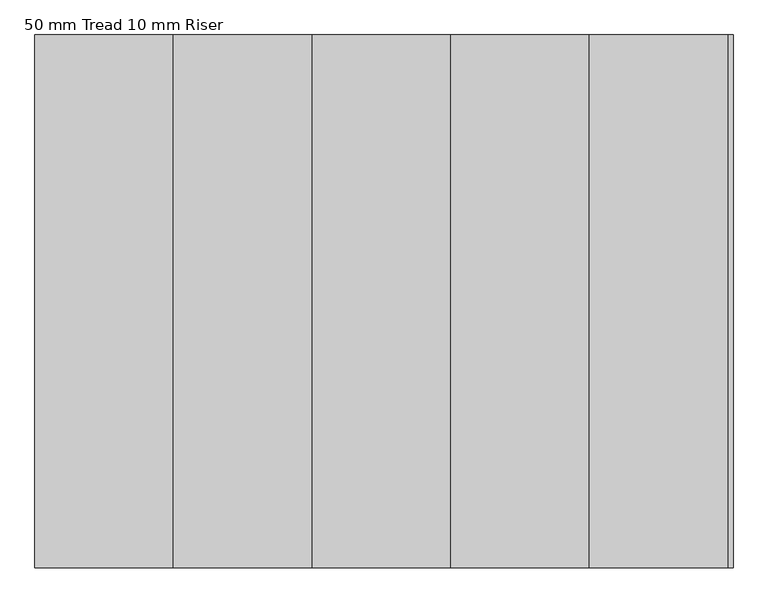
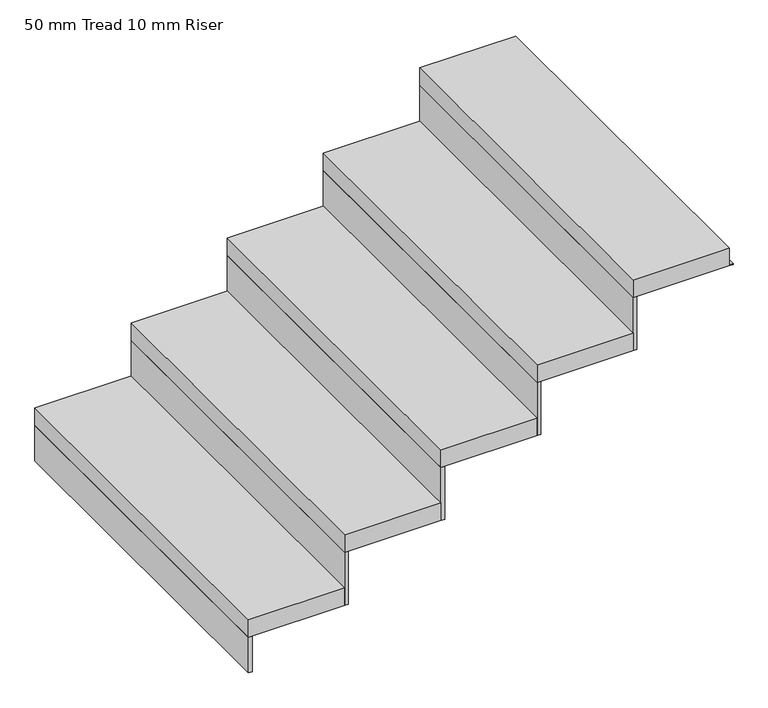
"""IFC4 building model written with IfcOpenShell, lengths in millimetres: stair flight geometry, 50 mm Tread 10 mm Riser."""

import ifcopenshell
import ifcopenshell.guid

model = None  # the IFC model being written
_history = None  # IfcOwnerHistory: only IFC2X3 demands one
_inside = {}  # id of a spatial element -> (the spatial element, [elements in it])
_under = {}  # id of a project, library or spatial element -> (it, [spatial elements below it])
_declared = {}  # id of a project -> (the project, [libraries it declares])
_typed = {}  # id of a type object -> (the type object, [elements of that type])
_made_of = {}  # id of a material, layer set ... -> (it, [elements and type objects made of it])


def new_model(schema):
    """Start an empty IFC model of exactly this schema.

    Asked for "IFC4X3", IfcOpenShell would pick the latest addendum, in which some entities
    have other attributes; the version numbers below select the first issue.
    IFC2X3 requires an IfcOwnerHistory on every rooted entity: one is made here for all.
    """
    global model, _history
    if schema == "IFC4X3":
        model = ifcopenshell.file(schema_version=(4, 3, 0, 0))
    else:
        model = ifcopenshell.file(schema=schema)
    _inside.clear()
    _under.clear()
    _declared.clear()
    _typed.clear()
    _made_of.clear()
    _history = None
    if model.schema == "IFC2X3":
        org = make("IfcOrganization", Name="unknown")
        user = make(
            "IfcPersonAndOrganization",
            ThePerson=make("IfcPerson", FamilyName="unknown"),
            TheOrganization=org,
        )
        app = make(
            "IfcApplication",
            ApplicationDeveloper=org,
            Version="unknown",
            ApplicationFullName="unknown",
            ApplicationIdentifier="unknown",
        )
        _history = make(
            "IfcOwnerHistory",
            OwningUser=user,
            OwningApplication=app,
            ChangeAction="ADDED",
            CreationDate=0,
        )
    return model


def make(cls, **values):
    """One entity of the class cls with the attributes given. An attribute that is None is left unset."""
    return model.create_entity(
        cls, **{name: value for name, value in values.items() if value is not None}
    )


def rooted(cls, **values):
    """An entity with a GlobalId (a new one), such as an element, a storey or a relation."""
    return make(cls, GlobalId=ifcopenshell.guid.new(), OwnerHistory=_history, **values)


def si_unit(unit_type, name, prefix=None):
    """IfcSIUnit, for example si_unit("LENGTHUNIT", "METRE", prefix="MILLI")."""
    return make("IfcSIUnit", UnitType=unit_type, Prefix=prefix, Name=name)


def assignment(units):
    """IfcUnitAssignment: the units of a project."""
    return None if units is None else make("IfcUnitAssignment", Units=units)


def point(xyz):
    """IfcCartesianPoint."""
    return None if xyz is None else make("IfcCartesianPoint", Coordinates=xyz)


def direction(xyz):
    """IfcDirection."""
    return None if xyz is None else make("IfcDirection", DirectionRatios=xyz)


def frame(location, z_axis=None, x_axis=None):
    """IfcAxis2Placement3D, a coordinate frame: its origin and axes. An axis left out is left unset."""
    return make(
        "IfcAxis2Placement3D",
        Location=point(location),
        Axis=direction(z_axis),
        RefDirection=direction(x_axis),
    )


def origin():
    """The frame at (0, 0, 0) with its axes left unset."""
    return frame((0.0, 0.0, 0.0))


def origin_with_axes():
    """The frame at (0, 0, 0) with the z axis (0, 0, 1) and the x axis (1, 0, 0) written out."""
    return frame((0.0, 0.0, 0.0), z_axis=(0.0, 0.0, 1.0), x_axis=(1.0, 0.0, 0.0))


def place(relative_to, where):
    """IfcLocalPlacement: puts the frame where relative to a parent placement (None: the world)."""
    return make(
        "IfcLocalPlacement", PlacementRelTo=relative_to, RelativePlacement=where
    )


def context(
    kind, dimensions, precision=None, world=None, true_north=None, identifier=None
):
    """IfcGeometricRepresentationContext, for example the 3D "Model" context."""
    return make(
        "IfcGeometricRepresentationContext",
        ContextIdentifier=identifier,
        ContextType=kind,
        CoordinateSpaceDimension=dimensions,
        Precision=precision,
        WorldCoordinateSystem=world,
        TrueNorth=true_north,
    )


def project(units=None, contexts=None):
    """IfcProject with its units and contexts."""
    return rooted(
        "IfcProject",
        Name="project",
        RepresentationContexts=contexts,
        UnitsInContext=assignment(units),
    )


def spatial(cls, under=None, at=None, **own):
    """A site, building, storey or space (cls), placed at a placement, below another one or the project."""
    s = rooted(cls, ObjectPlacement=at, **own)
    if under is not None:
        _under.setdefault(under.id(), (under, []))[1].append(s)
    return s


def polyline(points):
    """IfcPolyline through the points."""
    return make("IfcPolyline", Points=[point(p) for p in points])


def outline(outer, holes=None, kind="AREA"):
    """IfcArbitraryClosedProfileDef: a profile drawn as a closed curve; with holes, ...WithVoids."""
    if holes is None:
        return make("IfcArbitraryClosedProfileDef", ProfileType=kind, OuterCurve=outer)
    return make(
        "IfcArbitraryProfileDefWithVoids",
        ProfileType=kind,
        OuterCurve=outer,
        InnerCurves=holes,
    )


def extrude(swept, where, along, depth):
    """IfcExtrudedAreaSolid: the profile swept, set in the frame where, extruded along a direction by depth."""
    return make(
        "IfcExtrudedAreaSolid",
        SweptArea=swept,
        Position=where,
        ExtrudedDirection=direction(along),
        Depth=depth,
    )


def shape(context_of_items, identifier, shape_type, items):
    """IfcShapeRepresentation: the items that make up one representation, for example the "Body"."""
    return make(
        "IfcShapeRepresentation",
        ContextOfItems=context_of_items,
        RepresentationIdentifier=identifier,
        RepresentationType=shape_type,
        Items=items,
    )


def source(mapping_origin, context_of_items, identifier, shape_type, items):
    """IfcRepresentationMap: a shape defined once, which mapped items show again and again."""
    return make(
        "IfcRepresentationMap",
        MappingOrigin=mapping_origin,
        MappedRepresentation=shape(context_of_items, identifier, shape_type, items),
    )


def transform(
    local_origin,
    x_axis=None,
    y_axis=None,
    z_axis=None,
    scale=None,
    scale2=None,
    scale3=None,
    uniform=True,
):
    """IfcCartesianTransformationOperator3D, or its non-uniform kind. x_axis, y_axis, z_axis: its Axis1, 2, 3."""
    if uniform:
        return make(
            "IfcCartesianTransformationOperator3D",
            Axis1=direction(x_axis),
            Axis2=direction(y_axis),
            LocalOrigin=point(local_origin),
            Scale=scale,
            Axis3=direction(z_axis),
        )
    return make(
        "IfcCartesianTransformationOperator3DnonUniform",
        Axis1=direction(x_axis),
        Axis2=direction(y_axis),
        LocalOrigin=point(local_origin),
        Scale=scale,
        Axis3=direction(z_axis),
        Scale2=scale2,
        Scale3=scale3,
    )


def mapped(mapping_source, mapping_target):
    """IfcMappedItem: shows the shape of a source again, moved by a transform."""
    return make(
        "IfcMappedItem", MappingSource=mapping_source, MappingTarget=mapping_target
    )


def made_of(thing, what):
    """Note that an element or type object is made of a material, layer set ...; save() writes the relation."""
    if what is not None:
        _made_of.setdefault(what.id(), (what, []))[1].append(thing)
    return thing


def element(
    cls,
    number,
    at=None,
    inside=None,
    cuts=None,
    type_object=None,
    material=None,
    context=None,
    identifier="Body",
    shape_type=None,
    held_by="IfcProductDefinitionShape",
    body=None,
    shapes=None,
    **own,
):
    """One element of the class cls, such as IfcWall. Its Tag is "e" and its number.

    at: its placement. inside: the storey or other place that contains it. cuts: it is an
    opening in that element (IfcRelVoidsElement). A single representation is given by context,
    identifier, shape_type and body (its items); several are given by shapes. held_by: the class
    of the entity that holds the representations. save() writes the other relations.
    """
    e = rooted(cls, Tag="e%d" % number, ObjectPlacement=at, **own)
    if body is not None:
        shapes = [shape(context, identifier, shape_type, body)]
    if shapes is not None:
        e.Representation = make(held_by, Representations=shapes)
    if inside is not None:
        _inside.setdefault(inside.id(), (inside, []))[1].append(e)
    if cuts is not None:
        rooted(
            "IfcRelVoidsElement", RelatingBuildingElement=cuts, RelatedOpeningElement=e
        )
    if type_object is not None:
        _typed.setdefault(type_object.id(), (type_object, []))[1].append(e)
    return made_of(e, material)


def aggregate(whole, parts):
    """IfcRelAggregates: a whole, such as a stair, and the parts it consists of."""
    return rooted("IfcRelAggregates", RelatingObject=whole, RelatedObjects=parts)


def save(model, path):
    """Write the relations noted so far, then the file.

    IfcRelAggregates (storeys below a building ...), IfcRelContainedInSpatialStructure (elements
    in a storey), IfcRelDefinesByType, IfcRelAssociatesMaterial and IfcRelDeclares: one each for
    every whole, place, type object, material and project.
    """
    for whole, parts in _under.values():
        aggregate(whole, parts)
    for where, things in _inside.values():
        rooted(
            "IfcRelContainedInSpatialStructure",
            RelatedElements=things,
            RelatingStructure=where,
        )
    for kind, things in _typed.values():
        rooted("IfcRelDefinesByType", RelatedObjects=things, RelatingType=kind)
    for what, things in _made_of.values():
        rooted("IfcRelAssociatesMaterial", RelatedObjects=things, RelatingMaterial=what)
    for by, libraries in _declared.values():
        rooted("IfcRelDeclares", RelatingContext=by, RelatedDefinitions=libraries)
    model.write(path)


def stair_flight_50_mm_tread_10_mm_riser_b48887c9(model_context):
    return source(origin(), model_context, "Body", "SweptSolid", [
        extrude(outline(polyline([(4415.1809005, 1948.1591595), (4415.1809005, 948.1591595), (4155.1809005, 948.1591595), (4155.1809005, 1948.1591595), (4415.1809005, 1948.1591595)])), frame((0.0, 0.0, 102.0), z_axis=(0.0, 0.0, 1.0), x_axis=(1.0, 0.0, 0.0)), (0.0, 0.0, 1.0), 50.0),
        extrude(outline(polyline([(4165.1809005, 948.1591595), (4155.1809005, 948.1591595), (4155.1809005, 1948.1591595), (4165.1809005, 1948.1591595), (4165.1809005, 948.1591595)])), origin_with_axes(), (0.0, 0.0, 1.0), 102.0),
        extrude(outline(polyline([(4675.1809005, 1948.1591595), (4675.1809005, 948.1591595), (4415.1809005, 948.1591595), (4415.1809005, 1948.1591595), (4675.1809005, 1948.1591595)])), frame((0.0, 0.0, 254.0), z_axis=(0.0, 0.0, 1.0), x_axis=(1.0, 0.0, 0.0)), (0.0, 0.0, 1.0), 50.0),
        extrude(outline(polyline([(4425.1809005, 948.1591595), (4415.1809005, 948.1591595), (4415.1809005, 1948.1591595), (4425.1809005, 1948.1591595), (4425.1809005, 948.1591595)])), frame((0.0, 0.0, 102.0), z_axis=(0.0, 0.0, 1.0), x_axis=(1.0, 0.0, 0.0)), (0.0, 0.0, 1.0), 152.0),
        extrude(outline(polyline([(4935.1809005, 1948.1591595), (4935.1809005, 948.1591595), (4675.1809005, 948.1591595), (4675.1809005, 1948.1591595), (4935.1809005, 1948.1591595)])), frame((0.0, 0.0, 406.0), z_axis=(0.0, 0.0, 1.0), x_axis=(1.0, 0.0, 0.0)), (0.0, 0.0, 1.0), 50.0),
        extrude(outline(polyline([(4685.1809005, 948.1591595), (4675.1809005, 948.1591595), (4675.1809005, 1948.1591595), (4685.1809005, 1948.1591595), (4685.1809005, 948.1591595)])), frame((0.0, 0.0, 254.0), z_axis=(0.0, 0.0, 1.0), x_axis=(1.0, 0.0, 0.0)), (0.0, 0.0, 1.0), 152.0),
        extrude(outline(polyline([(5195.1809005, 1948.1591595), (5195.1809005, 948.1591595), (4935.1809005, 948.1591595), (4935.1809005, 1948.1591595), (5195.1809005, 1948.1591595)])), frame((0.0, 0.0, 558.0), z_axis=(0.0, 0.0, 1.0), x_axis=(1.0, 0.0, 0.0)), (0.0, 0.0, 1.0), 50.0),
        extrude(outline(polyline([(4945.1809005, 948.1591595), (4935.1809005, 948.1591595), (4935.1809005, 1948.1591595), (4945.1809005, 1948.1591595), (4945.1809005, 948.1591595)])), frame((0.0, 0.0, 406.0), z_axis=(0.0, 0.0, 1.0), x_axis=(1.0, 0.0, 0.0)), (0.0, 0.0, 1.0), 152.0),
        extrude(outline(polyline([(5455.1809005, 1948.1591595), (5455.1809005, 948.1591595), (5195.1809005, 948.1591595), (5195.1809005, 1948.1591595), (5455.1809005, 1948.1591595)])), frame((0.0, 0.0, 710.0), z_axis=(0.0, 0.0, 1.0), x_axis=(1.0, 0.0, 0.0)), (0.0, 0.0, 1.0), 50.0),
        extrude(outline(polyline([(5205.1809005, 948.1591595), (5195.1809005, 948.1591595), (5195.1809005, 1948.1591595), (5205.1809005, 1948.1591595), (5205.1809005, 948.1591595)])), frame((0.0, 0.0, 558.0), z_axis=(0.0, 0.0, 1.0), x_axis=(1.0, 0.0, 0.0)), (0.0, 0.0, 1.0), 152.0),
        extrude(outline(polyline([(5465.1809005, 948.1591595), (5455.1809005, 948.1591595), (5455.1809005, 1948.1591595), (5465.1809005, 1948.1591595), (5465.1809005, 948.1591595)])), frame((0.0, 0.0, 710.0), z_axis=(0.0, 0.0, 1.0), x_axis=(1.0, 0.0, 0.0)), (0.0, 0.0, 1.0), 2.0),
    ])


if __name__ == "__main__":
    model = new_model("IFC4")
    model_context = context("Model", 3, world=origin())
    ifc_project = project(units=[si_unit("LENGTHUNIT", "METRE", prefix="MILLI")], contexts=[model_context])
    site = spatial("IfcSite", under=ifc_project)
    building = spatial("IfcBuilding", under=site)
    placement = place(None, origin())
    stair_flight_50_mm_tread_10_mm_riser_shape = stair_flight_50_mm_tread_10_mm_riser_b48887c9(model_context)
    element("IfcStairFlight", 1, ObjectType="50 mm Tread 10 mm Riser", at=placement, inside=building, context=model_context, shape_type="MappedRepresentation", body=[
        mapped(stair_flight_50_mm_tread_10_mm_riser_shape, transform((0.0, 0.0, 0.0), x_axis=(1.0, 0.0, 0.0), y_axis=(0.0, 1.0, 0.0), z_axis=(0.0, 0.0, 1.0))),
    ])
    save(model, "model.ifc")
